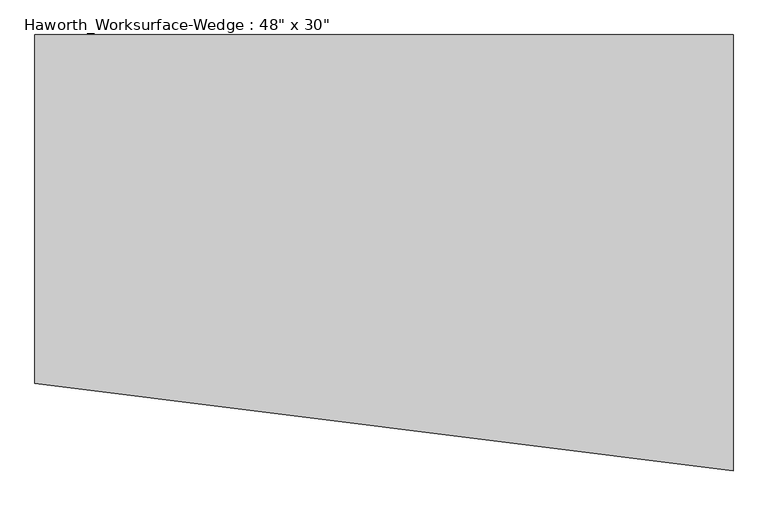
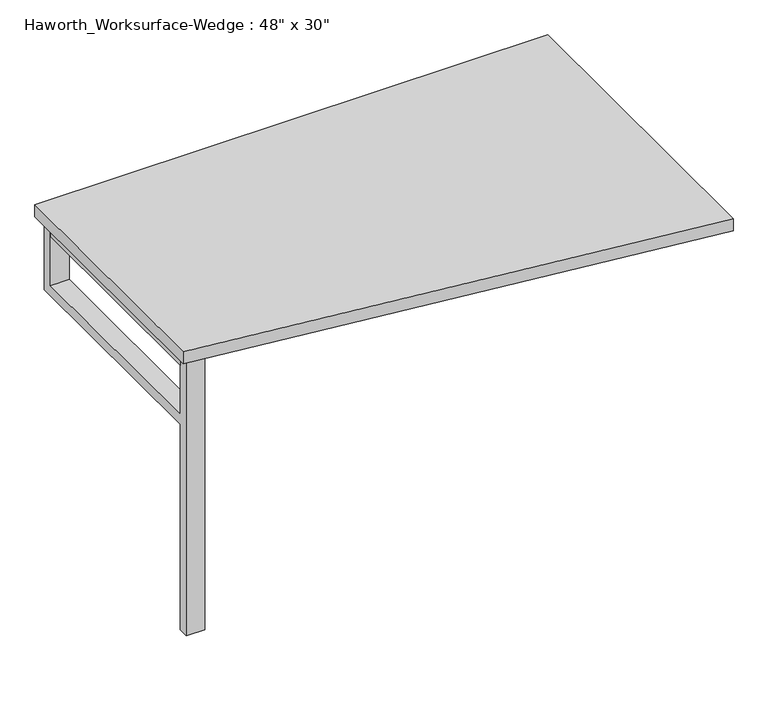
"""IFC4 building model written with IfcOpenShell, lengths in millimetres: furniture geometry."""

import ifcopenshell
import ifcopenshell.guid

model = None  # the IFC model being written
_history = None  # IfcOwnerHistory: only IFC2X3 demands one
_inside = {}  # id of a spatial element -> (the spatial element, [elements in it])
_under = {}  # id of a project, library or spatial element -> (it, [spatial elements below it])
_declared = {}  # id of a project -> (the project, [libraries it declares])
_typed = {}  # id of a type object -> (the type object, [elements of that type])
_made_of = {}  # id of a material, layer set ... -> (it, [elements and type objects made of it])


def new_model(schema):
    """Start an empty IFC model of exactly this schema.

    Asked for "IFC4X3", IfcOpenShell would pick the latest addendum, in which some entities
    have other attributes; the version numbers below select the first issue.
    IFC2X3 requires an IfcOwnerHistory on every rooted entity: one is made here for all.
    """
    global model, _history
    if schema == "IFC4X3":
        model = ifcopenshell.file(schema_version=(4, 3, 0, 0))
    else:
        model = ifcopenshell.file(schema=schema)
    _inside.clear()
    _under.clear()
    _declared.clear()
    _typed.clear()
    _made_of.clear()
    _history = None
    if model.schema == "IFC2X3":
        org = make("IfcOrganization", Name="unknown")
        user = make(
            "IfcPersonAndOrganization",
            ThePerson=make("IfcPerson", FamilyName="unknown"),
            TheOrganization=org,
        )
        app = make(
            "IfcApplication",
            ApplicationDeveloper=org,
            Version="unknown",
            ApplicationFullName="unknown",
            ApplicationIdentifier="unknown",
        )
        _history = make(
            "IfcOwnerHistory",
            OwningUser=user,
            OwningApplication=app,
            ChangeAction="ADDED",
            CreationDate=0,
        )
    return model


def make(cls, **values):
    """One entity of the class cls with the attributes given. An attribute that is None is left unset."""
    return model.create_entity(
        cls, **{name: value for name, value in values.items() if value is not None}
    )


def rooted(cls, **values):
    """An entity with a GlobalId (a new one), such as an element, a storey or a relation."""
    return make(cls, GlobalId=ifcopenshell.guid.new(), OwnerHistory=_history, **values)


def si_unit(unit_type, name, prefix=None):
    """IfcSIUnit, for example si_unit("LENGTHUNIT", "METRE", prefix="MILLI")."""
    return make("IfcSIUnit", UnitType=unit_type, Prefix=prefix, Name=name)


def assignment(units):
    """IfcUnitAssignment: the units of a project."""
    return None if units is None else make("IfcUnitAssignment", Units=units)


def point(xyz):
    """IfcCartesianPoint."""
    return None if xyz is None else make("IfcCartesianPoint", Coordinates=xyz)


def direction(xyz):
    """IfcDirection."""
    return None if xyz is None else make("IfcDirection", DirectionRatios=xyz)


def frame(location, z_axis=None, x_axis=None):
    """IfcAxis2Placement3D, a coordinate frame: its origin and axes. An axis left out is left unset."""
    return make(
        "IfcAxis2Placement3D",
        Location=point(location),
        Axis=direction(z_axis),
        RefDirection=direction(x_axis),
    )


def origin():
    """The frame at (0, 0, 0) with its axes left unset."""
    return frame((0.0, 0.0, 0.0))


def place(relative_to, where):
    """IfcLocalPlacement: puts the frame where relative to a parent placement (None: the world)."""
    return make(
        "IfcLocalPlacement", PlacementRelTo=relative_to, RelativePlacement=where
    )


def context(
    kind, dimensions, precision=None, world=None, true_north=None, identifier=None
):
    """IfcGeometricRepresentationContext, for example the 3D "Model" context."""
    return make(
        "IfcGeometricRepresentationContext",
        ContextIdentifier=identifier,
        ContextType=kind,
        CoordinateSpaceDimension=dimensions,
        Precision=precision,
        WorldCoordinateSystem=world,
        TrueNorth=true_north,
    )


def project(units=None, contexts=None):
    """IfcProject with its units and contexts."""
    return rooted(
        "IfcProject",
        Name="project",
        RepresentationContexts=contexts,
        UnitsInContext=assignment(units),
    )


def spatial(cls, under=None, at=None, **own):
    """A site, building, storey or space (cls), placed at a placement, below another one or the project."""
    s = rooted(cls, ObjectPlacement=at, **own)
    if under is not None:
        _under.setdefault(under.id(), (under, []))[1].append(s)
    return s


def polyline(points):
    """IfcPolyline through the points."""
    return make("IfcPolyline", Points=[point(p) for p in points])


def outline(outer, holes=None, kind="AREA"):
    """IfcArbitraryClosedProfileDef: a profile drawn as a closed curve; with holes, ...WithVoids."""
    if holes is None:
        return make("IfcArbitraryClosedProfileDef", ProfileType=kind, OuterCurve=outer)
    return make(
        "IfcArbitraryProfileDefWithVoids",
        ProfileType=kind,
        OuterCurve=outer,
        InnerCurves=holes,
    )


def extrude(swept, where, along, depth):
    """IfcExtrudedAreaSolid: the profile swept, set in the frame where, extruded along a direction by depth."""
    return make(
        "IfcExtrudedAreaSolid",
        SweptArea=swept,
        Position=where,
        ExtrudedDirection=direction(along),
        Depth=depth,
    )


def shape(context_of_items, identifier, shape_type, items):
    """IfcShapeRepresentation: the items that make up one representation, for example the "Body"."""
    return make(
        "IfcShapeRepresentation",
        ContextOfItems=context_of_items,
        RepresentationIdentifier=identifier,
        RepresentationType=shape_type,
        Items=items,
    )


def source(mapping_origin, context_of_items, identifier, shape_type, items):
    """IfcRepresentationMap: a shape defined once, which mapped items show again and again."""
    return make(
        "IfcRepresentationMap",
        MappingOrigin=mapping_origin,
        MappedRepresentation=shape(context_of_items, identifier, shape_type, items),
    )


def transform(
    local_origin,
    x_axis=None,
    y_axis=None,
    z_axis=None,
    scale=None,
    scale2=None,
    scale3=None,
    uniform=True,
):
    """IfcCartesianTransformationOperator3D, or its non-uniform kind. x_axis, y_axis, z_axis: its Axis1, 2, 3."""
    if uniform:
        return make(
            "IfcCartesianTransformationOperator3D",
            Axis1=direction(x_axis),
            Axis2=direction(y_axis),
            LocalOrigin=point(local_origin),
            Scale=scale,
            Axis3=direction(z_axis),
        )
    return make(
        "IfcCartesianTransformationOperator3DnonUniform",
        Axis1=direction(x_axis),
        Axis2=direction(y_axis),
        LocalOrigin=point(local_origin),
        Scale=scale,
        Axis3=direction(z_axis),
        Scale2=scale2,
        Scale3=scale3,
    )


def mapped(mapping_source, mapping_target):
    """IfcMappedItem: shows the shape of a source again, moved by a transform."""
    return make(
        "IfcMappedItem", MappingSource=mapping_source, MappingTarget=mapping_target
    )


def made_of(thing, what):
    """Note that an element or type object is made of a material, layer set ...; save() writes the relation."""
    if what is not None:
        _made_of.setdefault(what.id(), (what, []))[1].append(thing)
    return thing


def element(
    cls,
    number,
    at=None,
    inside=None,
    cuts=None,
    type_object=None,
    material=None,
    context=None,
    identifier="Body",
    shape_type=None,
    held_by="IfcProductDefinitionShape",
    body=None,
    shapes=None,
    **own,
):
    """One element of the class cls, such as IfcWall. Its Tag is "e" and its number.

    at: its placement. inside: the storey or other place that contains it. cuts: it is an
    opening in that element (IfcRelVoidsElement). A single representation is given by context,
    identifier, shape_type and body (its items); several are given by shapes. held_by: the class
    of the entity that holds the representations. save() writes the other relations.
    """
    e = rooted(cls, Tag="e%d" % number, ObjectPlacement=at, **own)
    if body is not None:
        shapes = [shape(context, identifier, shape_type, body)]
    if shapes is not None:
        e.Representation = make(held_by, Representations=shapes)
    if inside is not None:
        _inside.setdefault(inside.id(), (inside, []))[1].append(e)
    if cuts is not None:
        rooted(
            "IfcRelVoidsElement", RelatingBuildingElement=cuts, RelatedOpeningElement=e
        )
    if type_object is not None:
        _typed.setdefault(type_object.id(), (type_object, []))[1].append(e)
    return made_of(e, material)


def aggregate(whole, parts):
    """IfcRelAggregates: a whole, such as a stair, and the parts it consists of."""
    return rooted("IfcRelAggregates", RelatingObject=whole, RelatedObjects=parts)


def save(model, path):
    """Write the relations noted so far, then the file.

    IfcRelAggregates (storeys below a building ...), IfcRelContainedInSpatialStructure (elements
    in a storey), IfcRelDefinesByType, IfcRelAssociatesMaterial and IfcRelDeclares: one each for
    every whole, place, type object, material and project.
    """
    for whole, parts in _under.values():
        aggregate(whole, parts)
    for where, things in _inside.values():
        rooted(
            "IfcRelContainedInSpatialStructure",
            RelatedElements=things,
            RelatingStructure=where,
        )
    for kind, things in _typed.values():
        rooted("IfcRelDefinesByType", RelatedObjects=things, RelatingType=kind)
    for what, things in _made_of.values():
        rooted("IfcRelAssociatesMaterial", RelatedObjects=things, RelatingMaterial=what)
    for by, libraries in _declared.values():
        rooted("IfcRelDeclares", RelatingContext=by, RelatedDefinitions=libraries)
    model.write(path)


def furniture_88d77fa5(model_context):
    return source(origin(), model_context, "Body", "SweptSolid", [
        extrude(outline(polyline([(609.6, 381.0), (609.6, -381.0), (-609.6, -228.6), (-609.6, 381.0), (609.6, 381.0)])), frame((0.0, 0.0, 706.4375), z_axis=(0.0, 0.0, 1.0), x_axis=(1.0, 0.0, 0.0)), (0.0, 0.0, 1.0), 30.1625),
        extrude(outline(polyline([(-542.925, 355.6), (-542.925, -177.8), (-587.375, -177.8), (-587.375, 355.6), (-542.925, 355.6)])), frame((0.0, 0.0, 665.1625), z_axis=(0.0, 0.0, 1.0), x_axis=(1.0, 0.0, 0.0)), (0.0, 0.0, 1.0), 41.275),
        extrude(outline(polyline([(-177.8, 515.9375), (-177.8, 0.0), (-203.2, 0.0), (-203.2, 706.4375), (-177.8, 706.4375), (-177.8, 541.3375), (355.6, 541.3375), (355.6, 706.4375), (381.0, 706.4375), (381.0, 515.9375), (-177.8, 515.9375)])), frame((-587.375, 0.0, 0.0), z_axis=(1.0, 0.0, 0.0), x_axis=(0.0, 1.0, 0.0)), (0.0, 0.0, 1.0), 44.45),
    ])


if __name__ == "__main__":
    model = new_model("IFC4")
    model_context = context("Model", 3, world=origin())
    ifc_project = project(units=[si_unit("LENGTHUNIT", "METRE", prefix="MILLI")], contexts=[model_context])
    site = spatial("IfcSite", under=ifc_project)
    building = spatial("IfcBuilding", under=site)
    placement = place(None, origin())
    furniture_shape = furniture_88d77fa5(model_context)
    element("IfcFurniture", 1, ObjectType="Haworth_Worksurface-Wedge : 48\" x 30\"", at=placement, inside=building, context=model_context, shape_type="MappedRepresentation", body=[
        mapped(furniture_shape, transform((0.0, 0.0, 0.0), x_axis=(1.0, 0.0, 0.0), y_axis=(0.0, 1.0, 0.0), z_axis=(0.0, 0.0, 1.0))),
    ])
    save(model, "model.ifc")
